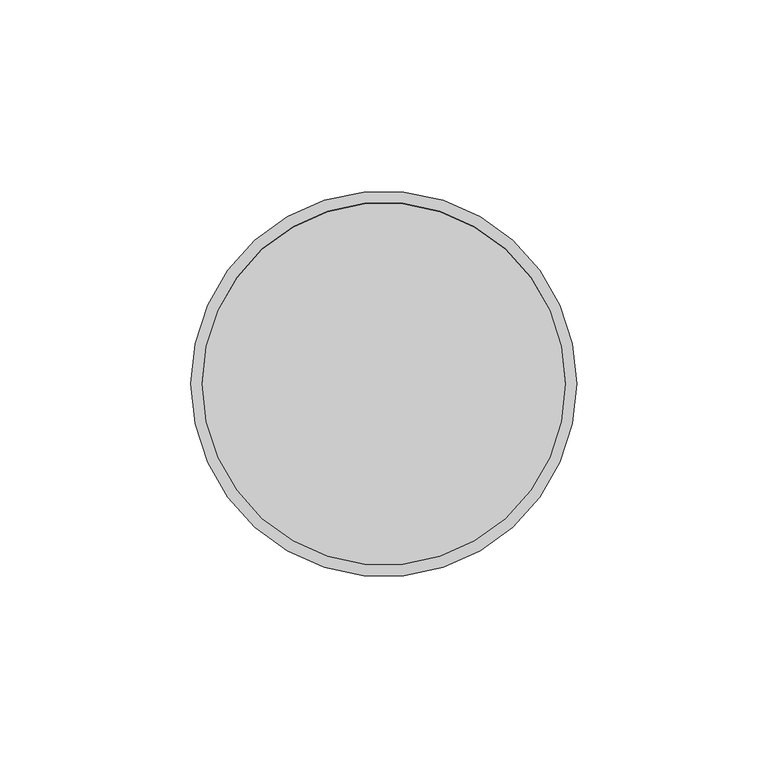
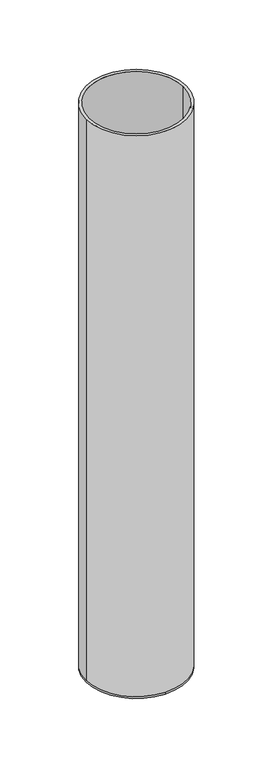
"""IFC4 building model written with IfcOpenShell, lengths in millimetres: beam geometry."""

from ifc_helpers import new_model, si_unit, frame, origin, place, context, project, spatial, polyline, circle_curve, source, transform, mapped, element, save
from ifc_brep_helpers import plane_surface, cylinder_surface, revolved_surface, advanced_brep


def beam_357bfe5e(model_context):
    return source(origin(), model_context, "Body", "AdvancedBrep", [
        advanced_brep(
        [(50.5, 0.0, 0.0), (-50.5, 0.0, 0.0), (47.5, 0.0, 0.0), (-47.5, 0.0, 0.0), (47.5, 0.0, -598.0), (-47.5, 0.0, -598.0), (50.5, 0.0, -598.0), (0.0, 50.5, -598.0), (-50.5, 0.0, -598.0), (0.0, -50.5, -598.0), (0.0, 50.5, -600.0), (0.0, -50.5, -600.0)],
        [
            (0, 1, circle_curve(frame((0.0, 0.0, 0.0), z_axis=(0.0, 0.0, 1.0), x_axis=(-1.0, 0.0, 0.0)), 50.5)),
            (1, 0, circle_curve(frame((0.0, 0.0, 0.0), z_axis=(0.0, 0.0, 1.0), x_axis=(-1.0, 0.0, 0.0)), 50.5)),
            (2, 3, circle_curve(frame((0.0, 0.0, 0.0), z_axis=(0.0, 0.0, -1.0), x_axis=(-1.0, 0.0, 0.0)), 47.5)),
            (3, 2, circle_curve(frame((0.0, 0.0, 0.0), z_axis=(0.0, 0.0, -1.0), x_axis=(-1.0, 0.0, 0.0)), 47.5)),
            (2, 4),
            (4, 5, circle_curve(frame((0.0, 0.0, -598.0), z_axis=(0.0, 0.0, -1.0), x_axis=(-1.0, 0.0, 0.0)), 47.5)),
            (5, 3),
            (5, 4, circle_curve(frame((0.0, 0.0, -598.0), z_axis=(0.0, 0.0, -1.0), x_axis=(-1.0, 0.0, 0.0)), 47.5)),
            (0, 6),
            (6, 7, circle_curve(frame((0.0, 0.0, -598.0), z_axis=(0.0, 0.0, 1.0), x_axis=(-1.0, 0.0, 0.0)), 50.5)),
            (7, 8, circle_curve(frame((0.0, 0.0, -598.0), z_axis=(0.0, 0.0, 1.0), x_axis=(-1.0, 0.0, 0.0)), 50.5)),
            (8, 1),
            (8, 9, circle_curve(frame((0.0, 0.0, -598.0), z_axis=(0.0, 0.0, 1.0), x_axis=(-1.0, 0.0, 0.0)), 50.5)),
            (9, 6, circle_curve(frame((0.0, 0.0, -598.0), z_axis=(0.0, 0.0, 1.0), x_axis=(-1.0, 0.0, 0.0)), 50.5)),
            (10, 11, circle_curve(frame((0.0, 0.0, -600.0), z_axis=(0.0, 0.0, -1.0), x_axis=(0.0, -1.0, 0.0)), 50.5)),
            (11, 10, circle_curve(frame((0.0, 0.0, -600.0), z_axis=(0.0, 0.0, -1.0), x_axis=(0.0, -1.0, 0.0)), 50.5)),
            (11, 9),
            (7, 10),
        ],
        [
            plane_surface(frame((0.0, 0.0, 0.0), z_axis=(0.0, 0.0, 1.0), x_axis=(0.0, -1.0, 0.0))),
            revolved_surface(polyline([(-47.5, 0.0, 0.0), (-47.5, 0.0, -598.0)]), (0.0, 0.0, -598.0), (0.0, 0.0, 1.0)),
            cylinder_surface(frame((0.0, 0.0, -598.0), z_axis=(0.0, 0.0, -1.0), x_axis=(-1.0, 0.0, 0.0)), 50.5),
            plane_surface(frame((0.0, 0.0, -598.0), z_axis=(0.0, 0.0, 1.0), x_axis=(0.0, -1.0, 0.0))),
            plane_surface(frame((0.0, 0.0, -600.0), z_axis=(0.0, 0.0, -1.0), x_axis=(0.0, -1.0, 0.0))),
            cylinder_surface(frame((0.0, 0.0, -598.0), z_axis=(0.0, 0.0, 1.0), x_axis=(0.0, -1.0, 0.0)), 50.5),
        ],
        [
            (0, [[1, 2], [3, 4]]),
            (1, [[-3, 5, 6, 7]]),
            (1, [[-4, -7, 8, -5]]),
            (2, [[-1, 9, 10, 11, 12]]),
            (2, [[-2, -12, 13, 14, -9]]),
            (3, [[-6, -8]]),
            (4, [[15, 16]]),
            (5, [[-16, 17, -13, -11, 18]]),
            (5, [[-15, -18, -10, -14, -17]]),
        ],
    ),
    ])


if __name__ == "__main__":
    model = new_model("IFC4")
    model_context = context("Model", 3, world=origin())
    ifc_project = project(units=[si_unit("LENGTHUNIT", "METRE", prefix="MILLI")], contexts=[model_context])
    site = spatial("IfcSite", under=ifc_project)
    building = spatial("IfcBuilding", under=site)
    placement = place(None, origin())
    beam_shape = beam_357bfe5e(model_context)
    element("IfcBeam", 1, at=placement, inside=building, context=model_context, shape_type="MappedRepresentation", body=[
        mapped(beam_shape, transform((0.0, 0.0, 0.0), x_axis=(1.0, 0.0, 0.0), y_axis=(0.0, 1.0, 0.0), z_axis=(0.0, 0.0, 1.0))),
    ])
    save(model, "model.ifc")
